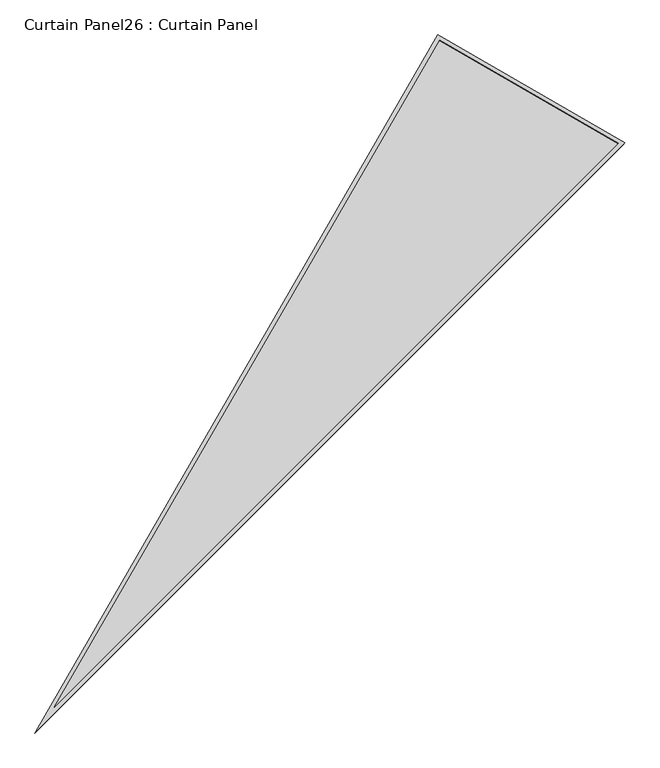
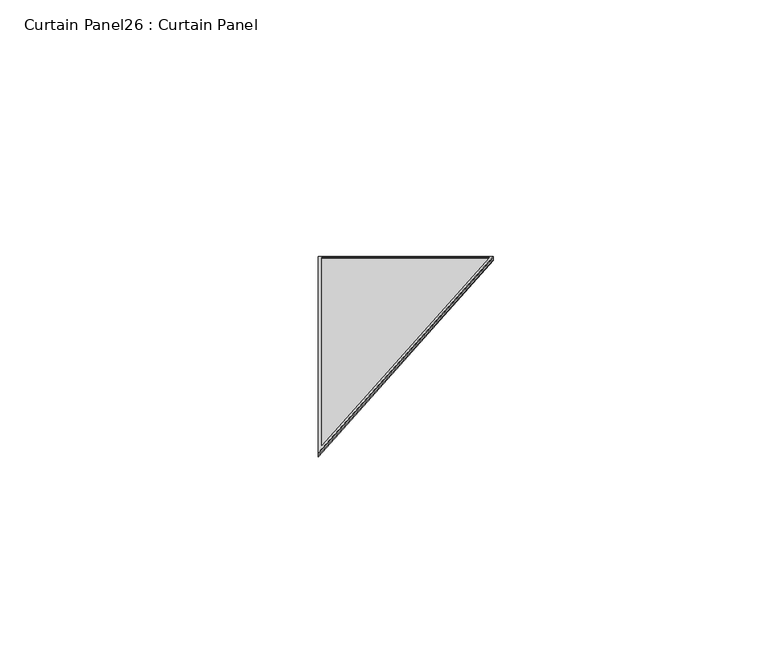
"""IFC4 building model written with IfcOpenShell, lengths in millimetres: plate geometry, Curtain Panel26 : Curtain Panel."""

from ifc_helpers import new_model, si_unit, frame, origin, place, context, project, spatial, polyline, outline, extrude, source, transform, mapped, element, save


def curtain_panel26_curtain_panel_69b8722c(model_context):
    return source(origin(), model_context, "Body", "SweptSolid", [
        extrude(outline(polyline([(895.9373553, 0.0), (0.0, -3524.4506618), (0.0, 0.0), (895.9373553, 0.0)]), holes=[polyline([(874.508816, -16.6627979), (16.6627979, -16.6627979), (16.6627978, -3391.2692346), (874.508816, -16.6627979)])]), frame((16370.1540131, 6663.5753352, 898.7195056), z_axis=(0.15807291198690604, 0.2737903148616773, 0.9487106081329141), x_axis=(0.8660254037844338, -0.5000000000000085, 0.0)), (0.0, 0.0, 1.0), 4.8113593),
        extrude(outline(polyline([(895.9373553, 0.0), (0.0, -3524.4506618), (0.0, 0.0), (895.9373553, 0.0)]), holes=[polyline([(882.6749851, -10.3127979), (10.3127978, -10.3127979), (10.3127979, -3442.0231397), (882.6749851, -10.3127979)])]), frame((16367.3644378, 6658.7436491, 881.9772337), z_axis=(0.15807291198690618, 0.2737903148616774, 0.9487106081329141), x_axis=(0.8660254037844338, -0.5000000000000084, 0.0)), (0.0, 0.0, 1.0), 4.7793186),
        extrude(outline(polyline([(12.7000001, 0.0), (908.6373554, 0.0), (12.7, -3524.4506618), (12.7000001, 0.0)])), frame((16357.1213959, 6666.4021802, 886.5114239), z_axis=(0.15807291198690576, 0.2737903148616775, 0.948710608132914), x_axis=(0.8660254037844345, -0.5000000000000074, 0.0)), (0.0, 0.0, 1.0), 12.8680776),
    ])


if __name__ == "__main__":
    model = new_model("IFC4")
    model_context = context("Model", 3, world=origin())
    ifc_project = project(units=[si_unit("LENGTHUNIT", "METRE", prefix="MILLI")], contexts=[model_context])
    site = spatial("IfcSite", under=ifc_project)
    building = spatial("IfcBuilding", under=site)
    placement = place(None, origin())
    curtain_panel26_curtain_panel_shape = curtain_panel26_curtain_panel_69b8722c(model_context)
    element("IfcPlate", 1, ObjectType="Curtain Panel26 : Curtain Panel", at=placement, inside=building, context=model_context, shape_type="MappedRepresentation", body=[
        mapped(curtain_panel26_curtain_panel_shape, transform((0.0, 0.0, 0.0), x_axis=(1.0, 0.0, 0.0), y_axis=(0.0, 1.0, 0.0), z_axis=(0.0, 0.0, 1.0))),
    ])
    save(model, "model.ifc")
